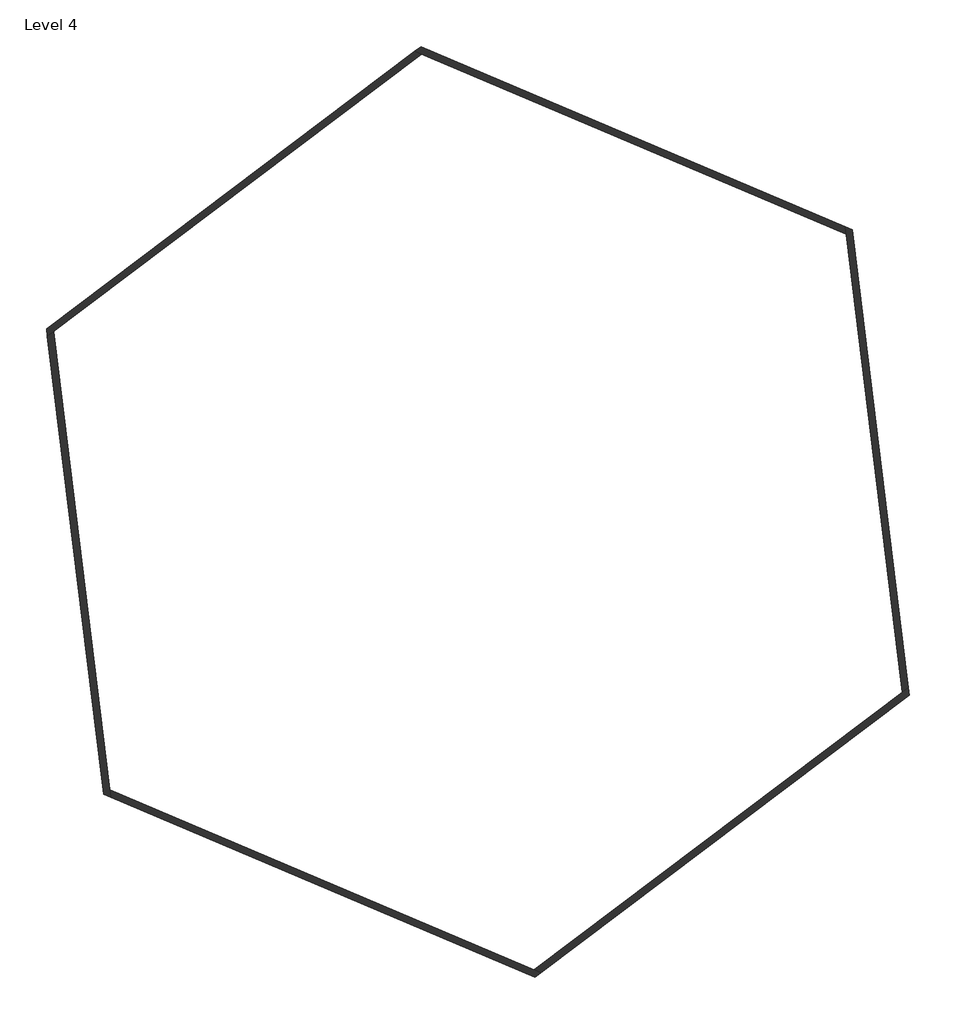
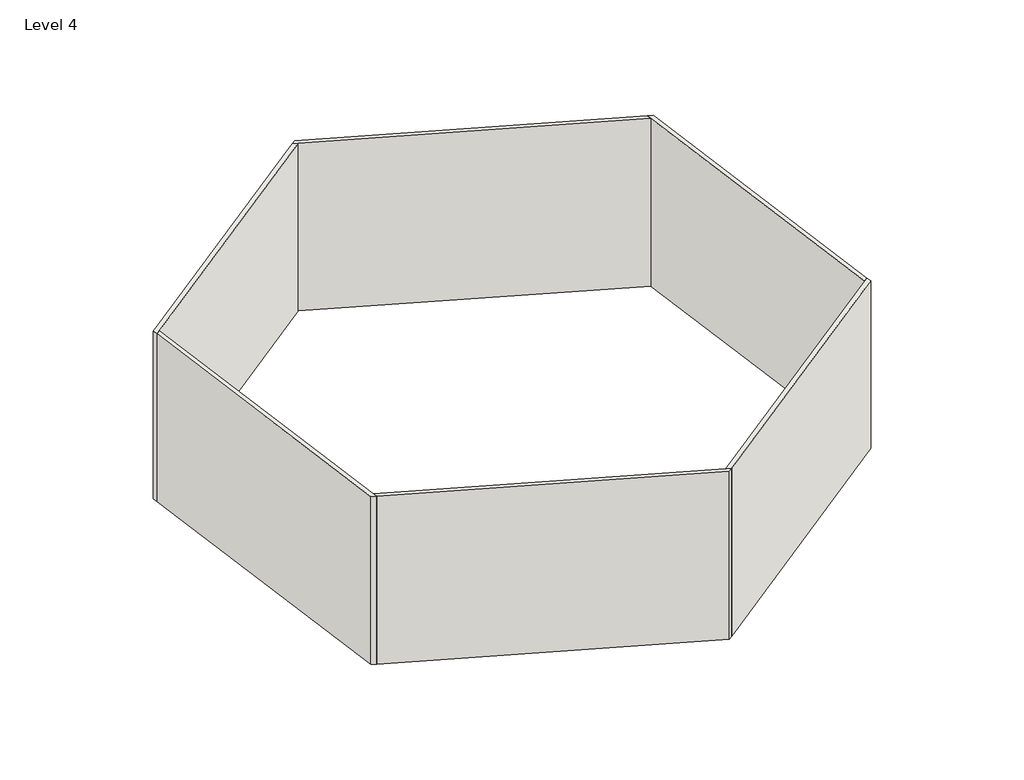
# One storey: 6 walls.
"""IFC4 building model written with IfcOpenShell, lengths in millimetres."""

from ifc_helpers import new_model, si_unit, origin, place, context, project, spatial, faceted_brep, element, save

model = new_model("IFC4")

# Units and contexts
model_context = context("Model", 3, world=origin())
ifc_project = project(units=[si_unit("LENGTHUNIT", "METRE", prefix="MILLI")], contexts=[model_context])

# Site, building, storey
site = spatial("IfcSite", under=ifc_project)
building = spatial("IfcBuilding", under=site)
storey = spatial("IfcBuildingStorey", under=building, Name="Level 4", Elevation=11700.0)

# Walls
placement = place(None, origin())
element("IfcWall", 1, ObjectType="Generic - 200mm", at=placement, inside=storey, context=model_context, shape_type="Brep", body=[
    faceted_brep([(5815.9661013, 6055.4466975, 11700.0), (-6964.8111021, 11480.5647519, 11700.0), (-6964.8111021, 11480.5647519, 19700.0), (5815.9661013, 6055.4466975, 19700.0), (5844.1106206, 5826.2279823, 11700.0), (5844.1106206, 5826.2279823, 19700.0), (-6936.6665828, 11251.3460368, 19700.0), (-7149.2480728, 11341.5815256, 19700.0), (-7149.2480728, 11341.5815256, 11700.0), (-6936.6665828, 11251.3460368, 11700.0)], [[[0, 1, 2, 3]], [[4, 5, 6, 7, 8, 9]], [[1, 0, 4, 9, 8]], [[3, 2, 7, 6, 5]], [[2, 1, 8, 7]], [[0, 3, 5, 4]]]),
])
element("IfcWall", 2, ObjectType="Generic - 200mm", at=placement, inside=storey, context=model_context, shape_type="Brep", body=[
    faceted_brep([(-7149.2480728, 11341.5815256, 11700.0), (-18237.9267281, 2985.6628146, 11700.0), (-18237.9267281, 2985.6628146, 19700.0), (-7149.2480728, 11341.5815256, 19700.0), (-6936.6665828, 11251.3460368, 11700.0), (-6936.6665828, 11251.3460368, 19700.0), (-18025.3452381, 2895.4273258, 19700.0), (-18209.7822088, 2756.4440995, 19700.0), (-18209.7822088, 2756.4440995, 11700.0), (-18025.3452381, 2895.4273258, 11700.0)], [[[0, 1, 2, 3]], [[4, 5, 6, 7, 8, 9]], [[1, 0, 4, 9, 8]], [[3, 2, 7, 6, 5]], [[2, 1, 8, 7]], [[0, 3, 5, 4]]]),
])
element("IfcWall", 3, ObjectType="Generic - 200mm", at=placement, inside=storey, context=model_context, shape_type="Brep", body=[
    faceted_brep([(-18209.7822088, 2756.4440995, 11700.0), (-16517.6836608, -11024.5926659, 11700.0), (-16517.6836608, -11024.5926659, 19700.0), (-18209.7822088, 2756.4440995, 19700.0), (-18025.3452381, 2895.4273258, 11700.0), (-18025.3452381, 2895.4273258, 19700.0), (-16333.2466901, -10885.6094397, 19700.0), (-16305.1021708, -11114.8281548, 19700.0), (-16305.1021708, -11114.8281548, 11700.0), (-16333.2466901, -10885.6094397, 11700.0)], [[[0, 1, 2, 3]], [[4, 5, 6, 7, 8, 9]], [[1, 0, 4, 9, 8]], [[3, 2, 7, 6, 5]], [[2, 1, 8, 7]], [[0, 3, 5, 4]]]),
])
element("IfcWall", 4, ObjectType="Generic - 200mm", at=placement, inside=storey, context=model_context, shape_type="Brep", body=[
    faceted_brep([(-16305.1021708, -11114.8281548, 11700.0), (-3524.3249674, -16539.9462092, 11700.0), (-3524.3249674, -16539.9462092, 19700.0), (-16305.1021708, -11114.8281548, 19700.0), (-16333.2466901, -10885.6094397, 11700.0), (-16333.2466901, -10885.6094397, 19700.0), (-3552.4694867, -16310.7274941, 19700.0), (-3339.8879968, -16400.962983, 19700.0), (-3339.8879968, -16400.962983, 11700.0), (-3552.4694867, -16310.7274941, 11700.0)], [[[0, 1, 2, 3]], [[4, 5, 6, 7, 8, 9]], [[1, 0, 4, 9, 8]], [[3, 2, 7, 6, 5]], [[2, 1, 8, 7]], [[0, 3, 5, 4]]]),
])
element("IfcWall", 5, ObjectType="Generic - 200mm", at=placement, inside=storey, context=model_context, shape_type="Brep", body=[
    faceted_brep([(-3339.8879968, -16400.962983, 11700.0), (7748.7906586, -8045.0442719, 11700.0), (7748.7906586, -8045.0442719, 19700.0), (-3339.8879968, -16400.962983, 19700.0), (-3552.4694867, -16310.7274941, 11700.0), (-3552.4694867, -16310.7274941, 19700.0), (7536.2091686, -7954.8087831, 19700.0), (7720.6461393, -7815.8255568, 19700.0), (7720.6461393, -7815.8255568, 11700.0), (7536.2091686, -7954.8087831, 11700.0)], [[[0, 1, 2, 3]], [[4, 5, 6, 7, 8, 9]], [[1, 0, 4, 9, 8]], [[3, 2, 7, 6, 5]], [[2, 1, 8, 7]], [[0, 3, 5, 4]]]),
])
element("IfcWall", 6, ObjectType="Generic - 200mm", at=placement, inside=storey, context=model_context, shape_type="Brep", body=[
    faceted_brep([(7720.6461393, -7815.8255568, 11700.0), (6028.5475912, 5965.2112086, 11700.0), (6028.5475912, 5965.2112086, 19700.0), (7720.6461393, -7815.8255568, 19700.0), (7536.2091686, -7954.8087831, 11700.0), (7536.2091686, -7954.8087831, 19700.0), (5844.1106206, 5826.2279823, 19700.0), (5815.9661013, 6055.4466975, 19700.0), (5815.9661013, 6055.4466975, 11700.0), (5844.1106206, 5826.2279823, 11700.0)], [[[0, 1, 2, 3]], [[4, 5, 6, 7, 8, 9]], [[1, 0, 4, 9, 8]], [[3, 2, 7, 6, 5]], [[2, 1, 8, 7]], [[0, 3, 5, 4]]]),
])

save(model, "model.ifc")
